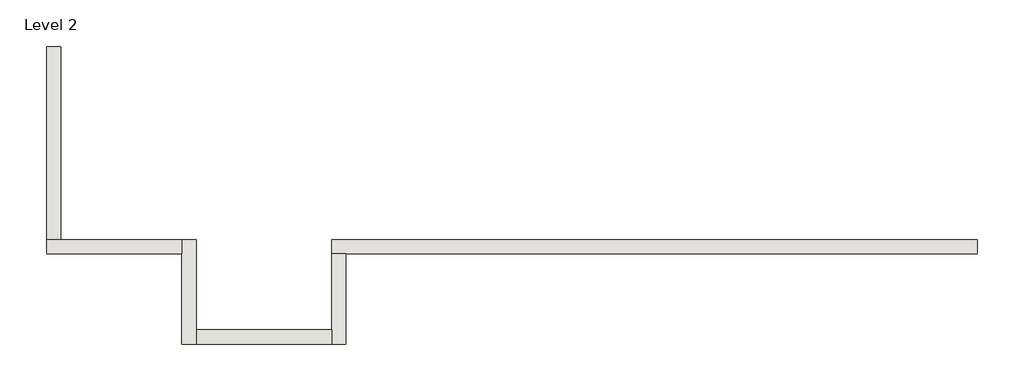
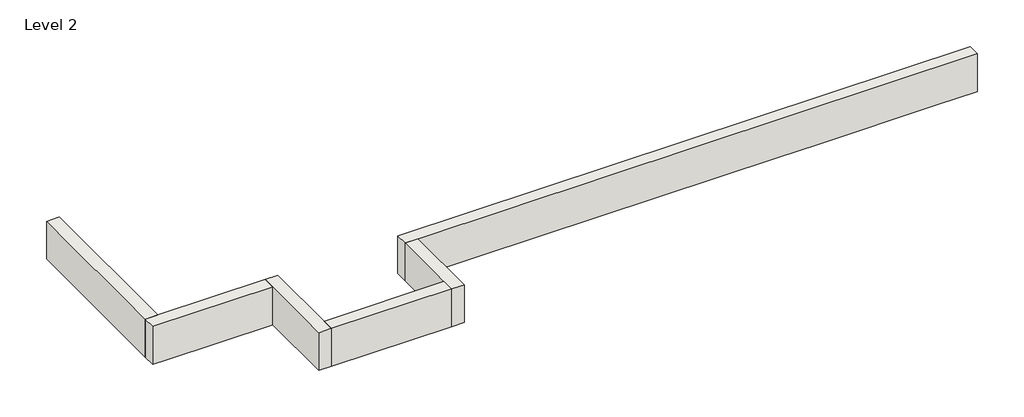
# One storey: 6 walls.
"""IFC4 building model written with IfcOpenShell, lengths in millimetres."""

from ifc_helpers import new_model, si_unit, frame, origin, place, context, project, spatial, polyline, outline, extrude, faceted_brep, element, save

model = new_model("IFC4")

# Units and contexts
model_context = context("Model", 3, world=origin())
ifc_project = project(units=[si_unit("LENGTHUNIT", "METRE", prefix="MILLI")], contexts=[model_context])

# Site, building, storey
site = spatial("IfcSite", under=ifc_project)
building = spatial("IfcBuilding", under=site)
storey = spatial("IfcBuildingStorey", under=building, Name="Level 2", Elevation=3048.0)

# Walls
placement = place(None, origin())
element("IfcWall", 1, ObjectType="Generic - 8\" Brick", at=placement, inside=storey, context=model_context, shape_type="Brep", body=[
    faceted_brep([(10750.5102383, 1412.8726187, 3048.0), (10140.9102383, 1412.8726187, 3048.0), (8312.107857, 1412.8726187, 3048.0), (7702.507857, 1412.8726187, 3048.0), (2022.432857, 1412.8726187, 3048.0), (2022.432857, 1412.8726187, 3657.6), (10750.5102383, 1412.8726187, 3657.6), (10750.5102383, 1219.1976187, 3048.0), (10750.5102383, 1219.1976187, 3657.6), (2216.107857, 1219.1976187, 3657.6), (2022.432857, 1219.1976187, 3657.6), (2022.432857, 1219.1976187, 3048.0), (2216.107857, 1219.1976187, 3048.0), (7702.507857, 1219.1976187, 3048.0), (8312.107857, 1219.1976187, 3048.0), (10140.9102383, 1219.1976187, 3048.0)], [[[0, 1, 2, 3, 4, 5, 6]], [[7, 8, 9, 10, 11, 12, 13, 14, 15]], [[4, 3, 2, 1, 0, 7, 15, 14, 13, 12, 11]], [[6, 5, 10, 9, 8]], [[0, 6, 8, 7]], [[5, 4, 11, 10]]]),
])
element("IfcWall", 2, ObjectType="Generic - 8\" Brick", at=placement, inside=storey, context=model_context, shape_type="Brep", body=[
    faceted_brep([(2022.432857, 1219.1976187, 3048.0), (2022.432857, 193.675, 3048.0), (2022.432857, 0.0, 3048.0), (2022.432857, 0.0, 3657.6), (2022.432857, 193.675, 3657.6), (2022.432857, 1219.1976187, 3657.6), (2216.107857, 1219.1976187, 3048.0), (2216.107857, 1219.1976187, 3657.6), (2216.107857, 0.0, 3657.6), (2216.107857, 0.0, 3048.0)], [[[0, 1, 2, 3, 4, 5]], [[6, 7, 8, 9]], [[2, 1, 0, 6, 9]], [[5, 4, 3, 8, 7]], [[0, 5, 7, 6]], [[3, 2, 9, 8]]]),
])
element("IfcWall", 3, ObjectType="Generic - 8\" Brick", at=placement, inside=storey, context=model_context, shape_type="SweptSolid", body=[
    extrude(outline(polyline([(193.632857, 193.675), (2022.432857, 193.675), (2022.432857, 0.0), (193.632857, 0.0), (193.632857, 193.675)])), frame((0.0, 0.0, 3048.0), z_axis=(0.0, 0.0, 1.0), x_axis=(1.0, 0.0, 0.0)), (0.0, 0.0, 1.0), 609.6),
])
element("IfcWall", 4, ObjectType="Generic - 8\" Brick", at=placement, inside=storey, context=model_context, shape_type="Brep", body=[
    faceted_brep([(193.632857, 0.0, 3048.0), (193.632857, 193.675, 3048.0), (193.632857, 1412.8726187, 3048.0), (193.632857, 1412.8726187, 3657.6), (193.632857, 193.675, 3657.6), (193.632857, 0.0, 3657.6), (-0.042143, 0.0, 3048.0), (-0.042143, 0.0, 3657.6), (-0.042143, 1219.1976187, 3657.6), (-0.042143, 1412.8726187, 3657.6), (-0.042143, 1412.8726187, 3048.0), (-0.042143, 1219.1976187, 3048.0)], [[[0, 1, 2, 3, 4, 5]], [[6, 7, 8, 9, 10, 11]], [[2, 1, 0, 6, 11, 10]], [[5, 4, 3, 9, 8, 7]], [[0, 5, 7, 6]], [[3, 2, 10, 9]]]),
])
element("IfcWall", 5, ObjectType="Generic - 8\" Brick", at=placement, inside=storey, context=model_context, shape_type="Brep", body=[
    faceted_brep([(-0.042143, 1412.8726187, 3048.0), (-1635.135393, 1412.8726187, 3048.0), (-1828.810393, 1412.8726187, 3048.0), (-1828.810393, 1412.8726187, 3657.6), (-1635.135393, 1412.8726187, 3657.6), (-0.042143, 1412.8726187, 3657.6), (-0.042143, 1219.1976187, 3048.0), (-0.042143, 1219.1976187, 3657.6), (-1828.810393, 1219.1976187, 3657.6), (-1828.810393, 1219.1976187, 3048.0), (-1635.135393, 1219.1976187, 3048.0)], [[[0, 1, 2, 3, 4, 5]], [[6, 7, 8, 9, 10]], [[2, 1, 0, 6, 10, 9]], [[5, 4, 3, 8, 7]], [[0, 5, 7, 6]], [[3, 2, 9, 8]]]),
])
element("IfcWall", 6, ObjectType="Generic - 8\" Brick", at=placement, inside=storey, context=model_context, shape_type="SweptSolid", body=[
    extrude(outline(polyline([(-1635.135393, 4021.038226), (-1635.135393, 1412.8726187), (-1828.810393, 1412.8726187), (-1828.810393, 4021.038226), (-1635.135393, 4021.038226)])), frame((0.0, 0.0, 3048.0), z_axis=(0.0, 0.0, 1.0), x_axis=(1.0, 0.0, 0.0)), (0.0, 0.0, 1.0), 609.6),
])

save(model, "model.ifc")
